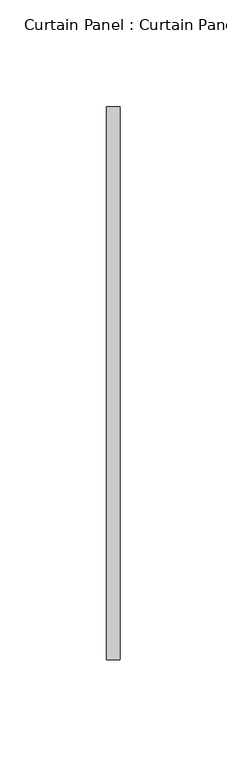
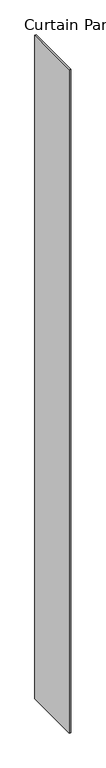
"""IFC4 building model written with IfcOpenShell, lengths in millimetres: plate geometry, Curtain Panel : Curtain Panel."""

from ifc_helpers import new_model, si_unit, origin, origin_with_axes, place, context, project, spatial, polyline, outline, extrude, source, transform, mapped, element, save


def curtain_panel_curtain_panel_f66c7df2(model_context):
    return source(origin(), model_context, "Body", "SweptSolid", [
        extrude(outline(polyline([(338505.8382494, 1856.4504387), (338505.8382494, 1597.6879387), (338499.4882494, 1597.6879387), (338499.4882494, 1856.4504387), (338505.8382494, 1856.4504387)])), origin_with_axes(), (0.0, 0.0, 1.0), 3048.0),
    ])


if __name__ == "__main__":
    model = new_model("IFC4")
    model_context = context("Model", 3, world=origin())
    ifc_project = project(units=[si_unit("LENGTHUNIT", "METRE", prefix="MILLI")], contexts=[model_context])
    site = spatial("IfcSite", under=ifc_project)
    building = spatial("IfcBuilding", under=site)
    placement = place(None, origin())
    curtain_panel_curtain_panel_shape = curtain_panel_curtain_panel_f66c7df2(model_context)
    element("IfcPlate", 1, ObjectType="Curtain Panel : Curtain Panel", at=placement, inside=building, context=model_context, shape_type="MappedRepresentation", body=[
        mapped(curtain_panel_curtain_panel_shape, transform((0.0, 0.0, 0.0), x_axis=(1.0, 0.0, 0.0), y_axis=(0.0, 1.0, 0.0), z_axis=(0.0, 0.0, 1.0))),
    ])
    save(model, "model.ifc")
